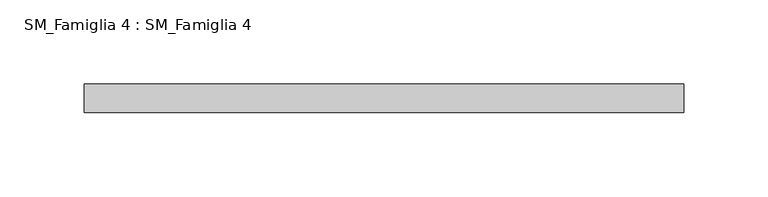
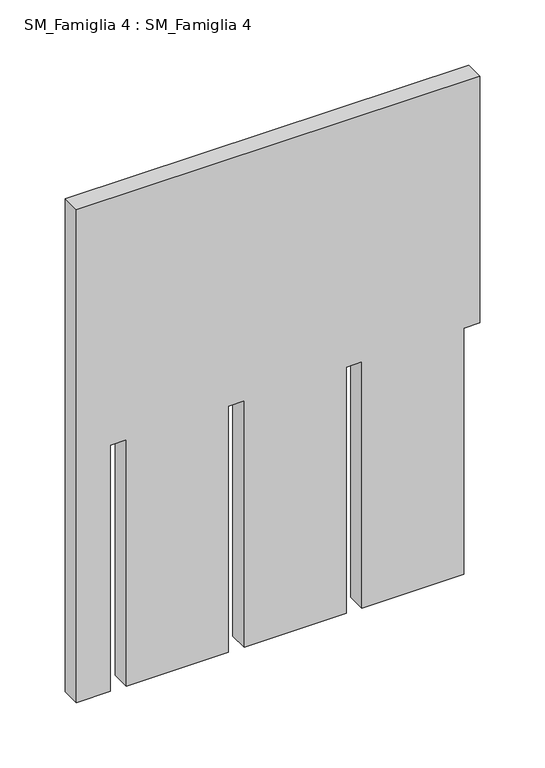
"""IFC4 building model written with IfcOpenShell, lengths in millimetres: proxy geometry, SM_Famiglia 4 : SM_Famiglia 4."""

import ifcopenshell
import ifcopenshell.guid

model = None  # the IFC model being written
_history = None  # IfcOwnerHistory: only IFC2X3 demands one
_inside = {}  # id of a spatial element -> (the spatial element, [elements in it])
_under = {}  # id of a project, library or spatial element -> (it, [spatial elements below it])
_declared = {}  # id of a project -> (the project, [libraries it declares])
_typed = {}  # id of a type object -> (the type object, [elements of that type])
_made_of = {}  # id of a material, layer set ... -> (it, [elements and type objects made of it])


def new_model(schema):
    """Start an empty IFC model of exactly this schema.

    Asked for "IFC4X3", IfcOpenShell would pick the latest addendum, in which some entities
    have other attributes; the version numbers below select the first issue.
    IFC2X3 requires an IfcOwnerHistory on every rooted entity: one is made here for all.
    """
    global model, _history
    if schema == "IFC4X3":
        model = ifcopenshell.file(schema_version=(4, 3, 0, 0))
    else:
        model = ifcopenshell.file(schema=schema)
    _inside.clear()
    _under.clear()
    _declared.clear()
    _typed.clear()
    _made_of.clear()
    _history = None
    if model.schema == "IFC2X3":
        org = make("IfcOrganization", Name="unknown")
        user = make(
            "IfcPersonAndOrganization",
            ThePerson=make("IfcPerson", FamilyName="unknown"),
            TheOrganization=org,
        )
        app = make(
            "IfcApplication",
            ApplicationDeveloper=org,
            Version="unknown",
            ApplicationFullName="unknown",
            ApplicationIdentifier="unknown",
        )
        _history = make(
            "IfcOwnerHistory",
            OwningUser=user,
            OwningApplication=app,
            ChangeAction="ADDED",
            CreationDate=0,
        )
    return model


def make(cls, **values):
    """One entity of the class cls with the attributes given. An attribute that is None is left unset."""
    return model.create_entity(
        cls, **{name: value for name, value in values.items() if value is not None}
    )


def rooted(cls, **values):
    """An entity with a GlobalId (a new one), such as an element, a storey or a relation."""
    return make(cls, GlobalId=ifcopenshell.guid.new(), OwnerHistory=_history, **values)


def si_unit(unit_type, name, prefix=None):
    """IfcSIUnit, for example si_unit("LENGTHUNIT", "METRE", prefix="MILLI")."""
    return make("IfcSIUnit", UnitType=unit_type, Prefix=prefix, Name=name)


def assignment(units):
    """IfcUnitAssignment: the units of a project."""
    return None if units is None else make("IfcUnitAssignment", Units=units)


def point(xyz):
    """IfcCartesianPoint."""
    return None if xyz is None else make("IfcCartesianPoint", Coordinates=xyz)


def direction(xyz):
    """IfcDirection."""
    return None if xyz is None else make("IfcDirection", DirectionRatios=xyz)


def frame(location, z_axis=None, x_axis=None):
    """IfcAxis2Placement3D, a coordinate frame: its origin and axes. An axis left out is left unset."""
    return make(
        "IfcAxis2Placement3D",
        Location=point(location),
        Axis=direction(z_axis),
        RefDirection=direction(x_axis),
    )


def origin():
    """The frame at (0, 0, 0) with its axes left unset."""
    return frame((0.0, 0.0, 0.0))


def place(relative_to, where):
    """IfcLocalPlacement: puts the frame where relative to a parent placement (None: the world)."""
    return make(
        "IfcLocalPlacement", PlacementRelTo=relative_to, RelativePlacement=where
    )


def context(
    kind, dimensions, precision=None, world=None, true_north=None, identifier=None
):
    """IfcGeometricRepresentationContext, for example the 3D "Model" context."""
    return make(
        "IfcGeometricRepresentationContext",
        ContextIdentifier=identifier,
        ContextType=kind,
        CoordinateSpaceDimension=dimensions,
        Precision=precision,
        WorldCoordinateSystem=world,
        TrueNorth=true_north,
    )


def project(units=None, contexts=None):
    """IfcProject with its units and contexts."""
    return rooted(
        "IfcProject",
        Name="project",
        RepresentationContexts=contexts,
        UnitsInContext=assignment(units),
    )


def spatial(cls, under=None, at=None, **own):
    """A site, building, storey or space (cls), placed at a placement, below another one or the project."""
    s = rooted(cls, ObjectPlacement=at, **own)
    if under is not None:
        _under.setdefault(under.id(), (under, []))[1].append(s)
    return s


def polyline(points):
    """IfcPolyline through the points."""
    return make("IfcPolyline", Points=[point(p) for p in points])


def outline(outer, holes=None, kind="AREA"):
    """IfcArbitraryClosedProfileDef: a profile drawn as a closed curve; with holes, ...WithVoids."""
    if holes is None:
        return make("IfcArbitraryClosedProfileDef", ProfileType=kind, OuterCurve=outer)
    return make(
        "IfcArbitraryProfileDefWithVoids",
        ProfileType=kind,
        OuterCurve=outer,
        InnerCurves=holes,
    )


def extrude(swept, where, along, depth):
    """IfcExtrudedAreaSolid: the profile swept, set in the frame where, extruded along a direction by depth."""
    return make(
        "IfcExtrudedAreaSolid",
        SweptArea=swept,
        Position=where,
        ExtrudedDirection=direction(along),
        Depth=depth,
    )


def shape(context_of_items, identifier, shape_type, items):
    """IfcShapeRepresentation: the items that make up one representation, for example the "Body"."""
    return make(
        "IfcShapeRepresentation",
        ContextOfItems=context_of_items,
        RepresentationIdentifier=identifier,
        RepresentationType=shape_type,
        Items=items,
    )


def source(mapping_origin, context_of_items, identifier, shape_type, items):
    """IfcRepresentationMap: a shape defined once, which mapped items show again and again."""
    return make(
        "IfcRepresentationMap",
        MappingOrigin=mapping_origin,
        MappedRepresentation=shape(context_of_items, identifier, shape_type, items),
    )


def transform(
    local_origin,
    x_axis=None,
    y_axis=None,
    z_axis=None,
    scale=None,
    scale2=None,
    scale3=None,
    uniform=True,
):
    """IfcCartesianTransformationOperator3D, or its non-uniform kind. x_axis, y_axis, z_axis: its Axis1, 2, 3."""
    if uniform:
        return make(
            "IfcCartesianTransformationOperator3D",
            Axis1=direction(x_axis),
            Axis2=direction(y_axis),
            LocalOrigin=point(local_origin),
            Scale=scale,
            Axis3=direction(z_axis),
        )
    return make(
        "IfcCartesianTransformationOperator3DnonUniform",
        Axis1=direction(x_axis),
        Axis2=direction(y_axis),
        LocalOrigin=point(local_origin),
        Scale=scale,
        Axis3=direction(z_axis),
        Scale2=scale2,
        Scale3=scale3,
    )


def mapped(mapping_source, mapping_target):
    """IfcMappedItem: shows the shape of a source again, moved by a transform."""
    return make(
        "IfcMappedItem", MappingSource=mapping_source, MappingTarget=mapping_target
    )


def made_of(thing, what):
    """Note that an element or type object is made of a material, layer set ...; save() writes the relation."""
    if what is not None:
        _made_of.setdefault(what.id(), (what, []))[1].append(thing)
    return thing


def element(
    cls,
    number,
    at=None,
    inside=None,
    cuts=None,
    type_object=None,
    material=None,
    context=None,
    identifier="Body",
    shape_type=None,
    held_by="IfcProductDefinitionShape",
    body=None,
    shapes=None,
    **own,
):
    """One element of the class cls, such as IfcWall. Its Tag is "e" and its number.

    at: its placement. inside: the storey or other place that contains it. cuts: it is an
    opening in that element (IfcRelVoidsElement). A single representation is given by context,
    identifier, shape_type and body (its items); several are given by shapes. held_by: the class
    of the entity that holds the representations. save() writes the other relations.
    """
    e = rooted(cls, Tag="e%d" % number, ObjectPlacement=at, **own)
    if body is not None:
        shapes = [shape(context, identifier, shape_type, body)]
    if shapes is not None:
        e.Representation = make(held_by, Representations=shapes)
    if inside is not None:
        _inside.setdefault(inside.id(), (inside, []))[1].append(e)
    if cuts is not None:
        rooted(
            "IfcRelVoidsElement", RelatingBuildingElement=cuts, RelatedOpeningElement=e
        )
    if type_object is not None:
        _typed.setdefault(type_object.id(), (type_object, []))[1].append(e)
    return made_of(e, material)


def aggregate(whole, parts):
    """IfcRelAggregates: a whole, such as a stair, and the parts it consists of."""
    return rooted("IfcRelAggregates", RelatingObject=whole, RelatedObjects=parts)


def save(model, path):
    """Write the relations noted so far, then the file.

    IfcRelAggregates (storeys below a building ...), IfcRelContainedInSpatialStructure (elements
    in a storey), IfcRelDefinesByType, IfcRelAssociatesMaterial and IfcRelDeclares: one each for
    every whole, place, type object, material and project.
    """
    for whole, parts in _under.values():
        aggregate(whole, parts)
    for where, things in _inside.values():
        rooted(
            "IfcRelContainedInSpatialStructure",
            RelatedElements=things,
            RelatingStructure=where,
        )
    for kind, things in _typed.values():
        rooted("IfcRelDefinesByType", RelatedObjects=things, RelatingType=kind)
    for what, things in _made_of.values():
        rooted("IfcRelAssociatesMaterial", RelatedObjects=things, RelatingMaterial=what)
    for by, libraries in _declared.values():
        rooted("IfcRelDeclares", RelatingContext=by, RelatedDefinitions=libraries)
    model.write(path)


def sm_famiglia_4_sm_famiglia_4_a84a5bdd(model_context):
    return source(origin(), model_context, "Body", "SweptSolid", [
        extrude(outline(polyline([(0.0, -248.0), (230.0, -248.0), (230.0, -234.0), (0.0, -234.0), (0.0, -144.0), (230.0, -144.0), (230.0, -130.0), (0.0, -130.0), (0.0, -40.0), (230.0, -40.0), (230.0, -26.0), (460.0, -26.0), (460.0, -382.0), (0.0, -382.0), (0.0, -352.0), (230.0, -352.0), (230.0, -338.0), (0.0, -338.0), (0.0, -248.0)])), frame((0.0, -17.0, 0.0), z_axis=(0.0, 1.0, 0.0), x_axis=(0.0, 0.0, 1.0)), (0.0, 0.0, 1.0), 17.0),
    ])


if __name__ == "__main__":
    model = new_model("IFC4")
    model_context = context("Model", 3, world=origin())
    ifc_project = project(units=[si_unit("LENGTHUNIT", "METRE", prefix="MILLI")], contexts=[model_context])
    site = spatial("IfcSite", under=ifc_project)
    building = spatial("IfcBuilding", under=site)
    placement = place(None, origin())
    sm_famiglia_4_sm_famiglia_4_shape = sm_famiglia_4_sm_famiglia_4_a84a5bdd(model_context)
    element("IfcBuildingElementProxy", 1, Name="SM_Famiglia 4 : SM_Famiglia 4", ObjectType="SM_Famiglia 4 : SM_Famiglia 4", at=placement, inside=building, context=model_context, shape_type="MappedRepresentation", body=[
        mapped(sm_famiglia_4_sm_famiglia_4_shape, transform((0.0, 0.0, 0.0), x_axis=(1.0, 0.0, 0.0), y_axis=(0.0, 1.0, 0.0), z_axis=(0.0, 0.0, 1.0))),
    ])
    save(model, "model.ifc")
